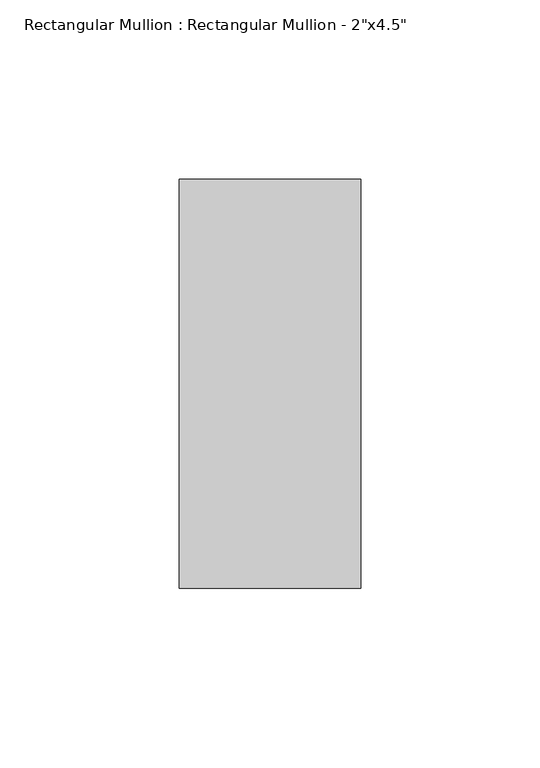
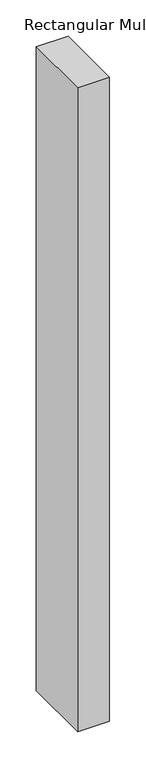
"""IFC4 building model written with IfcOpenShell, lengths in millimetres: member geometry."""

from ifc_helpers import new_model, si_unit, frame, origin, place, context, project, spatial, polyline, outline, extrude, source, transform, mapped, element, save


def member_a3c98939(model_context):
    return source(origin(), model_context, "Body", "SweptSolid", [
        extrude(outline(polyline([(0.0, 57.15), (0.0, -57.15), (-50.8, -57.15), (-50.8, 57.15), (0.0, 57.15)])), frame((0.0, 0.0, -1085.85), z_axis=(0.0, 0.0, 1.0), x_axis=(1.0, 0.0, 0.0)), (0.0, 0.0, 1.0), 1085.85),
    ])


if __name__ == "__main__":
    model = new_model("IFC4")
    model_context = context("Model", 3, world=origin())
    ifc_project = project(units=[si_unit("LENGTHUNIT", "METRE", prefix="MILLI")], contexts=[model_context])
    site = spatial("IfcSite", under=ifc_project)
    building = spatial("IfcBuilding", under=site)
    placement = place(None, origin())
    member_shape = member_a3c98939(model_context)
    element("IfcMember", 1, ObjectType="Rectangular Mullion : Rectangular Mullion - 2\"x4.5\"", at=placement, inside=building, context=model_context, shape_type="MappedRepresentation", body=[
        mapped(member_shape, transform((0.0, 0.0, 0.0), x_axis=(1.0, 0.0, 0.0), y_axis=(0.0, 1.0, 0.0), z_axis=(0.0, 0.0, 1.0))),
    ])
    save(model, "model.ifc")
